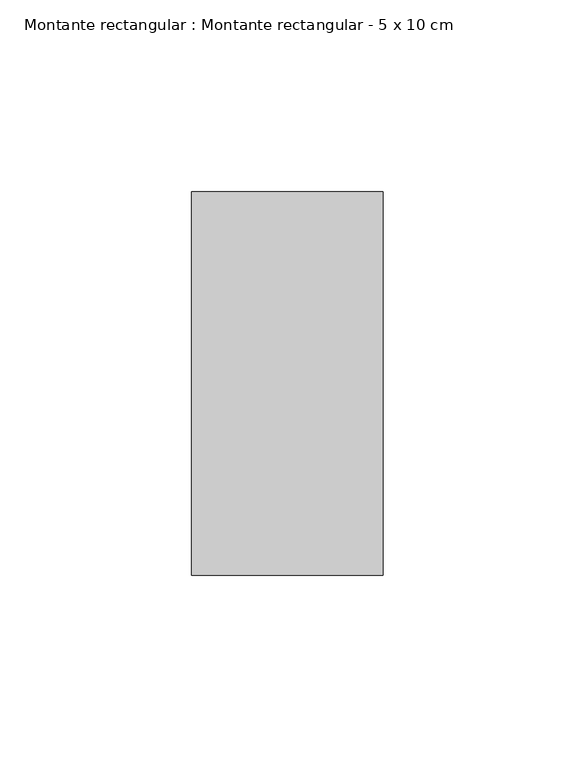
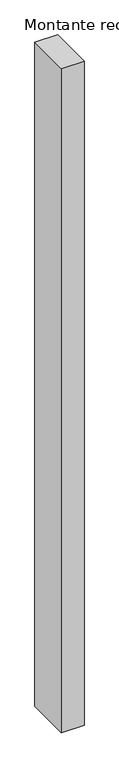
"""IFC4 building model written with IfcOpenShell, lengths in millimetres: member geometry, Montante rectangular : Montante rectangular - 5 x 10 cm."""

from ifc_helpers import new_model, si_unit, frame, origin, place, context, project, spatial, polyline, outline, extrude, source, transform, mapped, element, save


def montante_rectangular_montante_rectangular_5_x_10_cm_7aa743a5(model_context):
    return source(origin(), model_context, "Body", "SweptSolid", [
        extrude(outline(polyline([(0.0, 50.0), (0.0, -50.0), (-50.0, -50.0), (-50.0, 50.0), (0.0, 50.0)])), frame((0.0, 0.0, -1539.2228533), z_axis=(0.0, 0.0, 1.0), x_axis=(1.0, 0.0, 0.0)), (0.0, 0.0, 1.0), 1539.2228533),
    ])


if __name__ == "__main__":
    model = new_model("IFC4")
    model_context = context("Model", 3, world=origin())
    ifc_project = project(units=[si_unit("LENGTHUNIT", "METRE", prefix="MILLI")], contexts=[model_context])
    site = spatial("IfcSite", under=ifc_project)
    building = spatial("IfcBuilding", under=site)
    placement = place(None, origin())
    montante_rectangular_montante_rectangular_5_x_10_cm_shape = montante_rectangular_montante_rectangular_5_x_10_cm_7aa743a5(model_context)
    element("IfcMember", 1, ObjectType="Montante rectangular : Montante rectangular - 5 x 10 cm", at=placement, inside=building, context=model_context, shape_type="MappedRepresentation", body=[
        mapped(montante_rectangular_montante_rectangular_5_x_10_cm_shape, transform((0.0, 0.0, 0.0), x_axis=(1.0, 0.0, 0.0), y_axis=(0.0, 1.0, 0.0), z_axis=(0.0, 0.0, 1.0))),
    ])
    save(model, "model.ifc")
